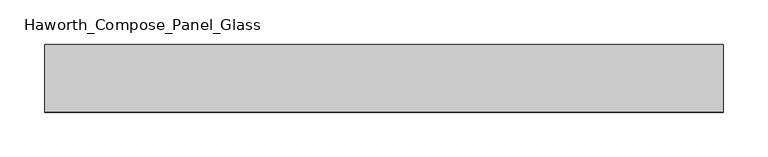
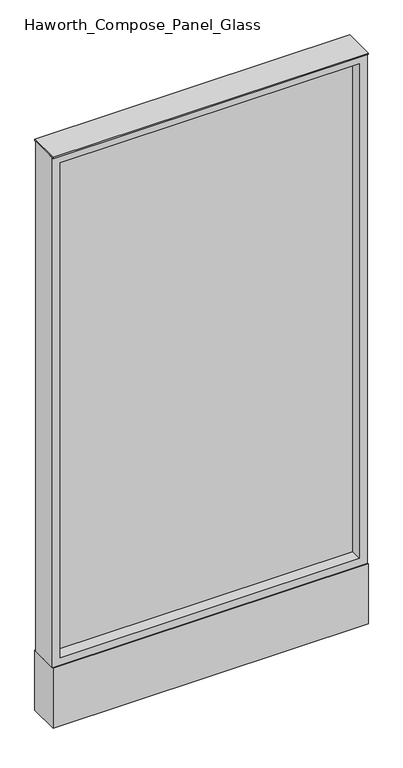
"""IFC4 building model written with IfcOpenShell, lengths in millimetres: furniture geometry, Haworth_Compose_Panel_Glass."""

from ifc_helpers import new_model, si_unit, point, frame, frame_2d, origin, origin_with_axes, place, context, project, spatial, polyline, circle_curve, trimmed, segment, composite_curve, outline, extrude, source, transform, mapped, element, save


def haworth_compose_panel_glass_b84d3698(model_context):
    return source(origin(), model_context, "Body", "SweptSolid", [
        extrude(outline(composite_curve([segment(trimmed(circle_curve(frame_2d((307.2402902, 0.0)), 12.7), [point((294.5402902, 0.0))], [point((319.9402902, 0.0))], False, "CARTESIAN"), True, "CONTINUOUS"), segment(trimmed(circle_curve(frame_2d((307.2402902, 0.0)), 12.7), [point((319.9402902, 0.0))], [point((294.5402902, 0.0))], False, "CARTESIAN"), True, "CONTINUOUS")], self_intersect=False)), origin_with_axes(), (0.0, 0.0, 1.0), 12.7),
        extrude(outline(composite_curve([segment(trimmed(circle_curve(frame_2d((-302.3597098, 0.0)), 12.7), [point((-315.0597098, 0.0))], [point((-289.6597098, 0.0))], False, "CARTESIAN"), True, "CONTINUOUS"), segment(trimmed(circle_curve(frame_2d((-302.3597098, 0.0)), 12.7), [point((-289.6597098, 0.0))], [point((-315.0597098, 0.0))], False, "CARTESIAN"), True, "CONTINUOUS")], self_intersect=False)), origin_with_axes(), (0.0, 0.0, 1.0), 12.7),
        extrude(outline(polyline([(364.3902902, -6.35), (-359.5097098, -6.35), (-359.5097098, 6.35), (364.3902902, 6.35), (364.3902902, -6.35)])), frame((0.0, 0.0, 184.15), z_axis=(0.0, 0.0, 1.0), x_axis=(1.0, 0.0, 0.0)), (0.0, 0.0, 1.0), 1263.65),
        extrude(outline(polyline([(1466.85, -378.5597098), (165.1, -378.5597098), (165.1, 383.4402902), (1466.85, 383.4402902), (1466.85, -378.5597098)]), holes=[polyline([(1447.8, 364.3902902), (184.15, 364.3902902), (184.15, -359.5097098), (1447.8, -359.5097098), (1447.8, 364.3902902)])]), frame((0.0, -34.925, 0.0), z_axis=(0.0, 1.0, 0.0), x_axis=(0.0, 0.0, 1.0)), (0.0, 0.0, 1.0), 69.85),
        extrude(outline(polyline([(-378.5597098, 38.1), (383.4402902, 38.1), (383.4402902, -38.1), (-378.5597098, -38.1), (-378.5597098, 38.1)])), frame((0.0, 0.0, 12.7), z_axis=(0.0, 0.0, 1.0), x_axis=(1.0, 0.0, 0.0)), (0.0, 0.0, 1.0), 152.4),
        extrude(outline(polyline([(-378.5597098, -38.1), (-378.5597098, 38.1), (383.4402902, 38.1), (383.4402902, -38.1), (-378.5597098, -38.1)])), frame((0.0, 0.0, 1466.85), z_axis=(0.0, 0.0, 1.0), x_axis=(1.0, 0.0, 0.0)), (0.0, 0.0, 1.0), 3.175),
    ])


if __name__ == "__main__":
    model = new_model("IFC4")
    model_context = context("Model", 3, world=origin())
    ifc_project = project(units=[si_unit("LENGTHUNIT", "METRE", prefix="MILLI")], contexts=[model_context])
    site = spatial("IfcSite", under=ifc_project)
    building = spatial("IfcBuilding", under=site)
    placement = place(None, origin())
    haworth_compose_panel_glass_shape = haworth_compose_panel_glass_b84d3698(model_context)
    element("IfcFurniture", 1, ObjectType="Haworth_Compose_Panel_Glass", at=placement, inside=building, context=model_context, shape_type="MappedRepresentation", body=[
        mapped(haworth_compose_panel_glass_shape, transform((0.0, 0.0, 0.0), x_axis=(1.0, 0.0, 0.0), y_axis=(0.0, 1.0, 0.0), z_axis=(0.0, 0.0, 1.0))),
    ])
    save(model, "model.ifc")
